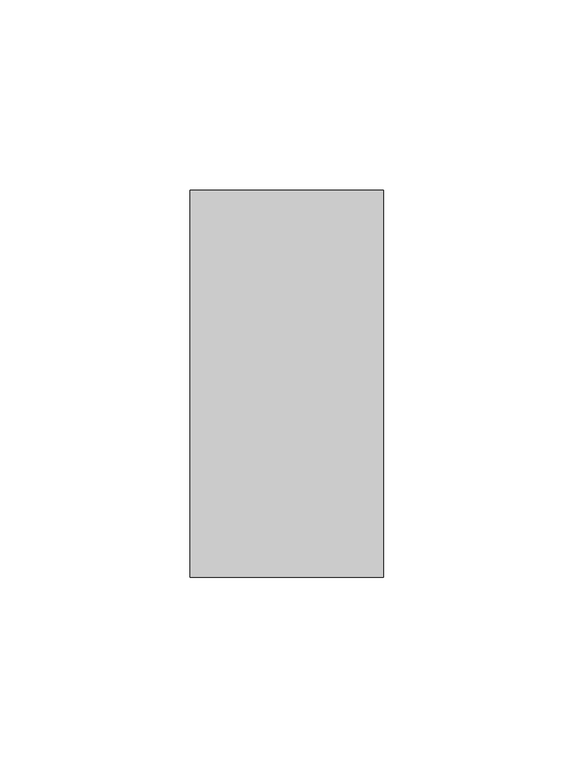
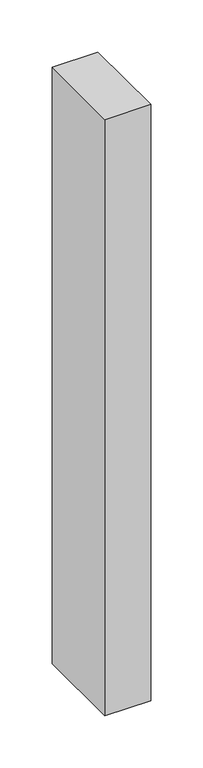
"""IFC4 building model written with IfcOpenShell, lengths in millimetres: proxy geometry."""

from ifc_helpers import new_model, si_unit, origin, origin_with_axes, place, context, project, spatial, polyline, outline, extrude, source, transform, mapped, element, save


def generic_models_f2af7213(model_context):
    return source(origin(), model_context, "Body", "SweptSolid", [
        extrude(outline(polyline([(50.8, 0.0), (0.0, 0.0), (0.0, 101.6), (50.8, 101.6), (50.8, 0.0)])), origin_with_axes(), (0.0, 0.0, 1.0), 700.0),
    ])


if __name__ == "__main__":
    model = new_model("IFC4")
    model_context = context("Model", 3, world=origin())
    ifc_project = project(units=[si_unit("LENGTHUNIT", "METRE", prefix="MILLI")], contexts=[model_context])
    site = spatial("IfcSite", under=ifc_project)
    building = spatial("IfcBuilding", under=site)
    placement = place(None, origin())
    generic_models_shape = generic_models_f2af7213(model_context)
    element("IfcBuildingElementProxy", 1, Name="Generic Models", at=placement, inside=building, context=model_context, shape_type="MappedRepresentation", body=[
        mapped(generic_models_shape, transform((0.0, 0.0, 0.0), x_axis=(1.0, 0.0, 0.0), y_axis=(0.0, 1.0, 0.0), z_axis=(0.0, 0.0, 1.0))),
    ])
    save(model, "model.ifc")
